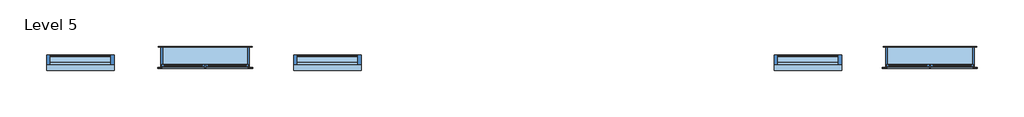
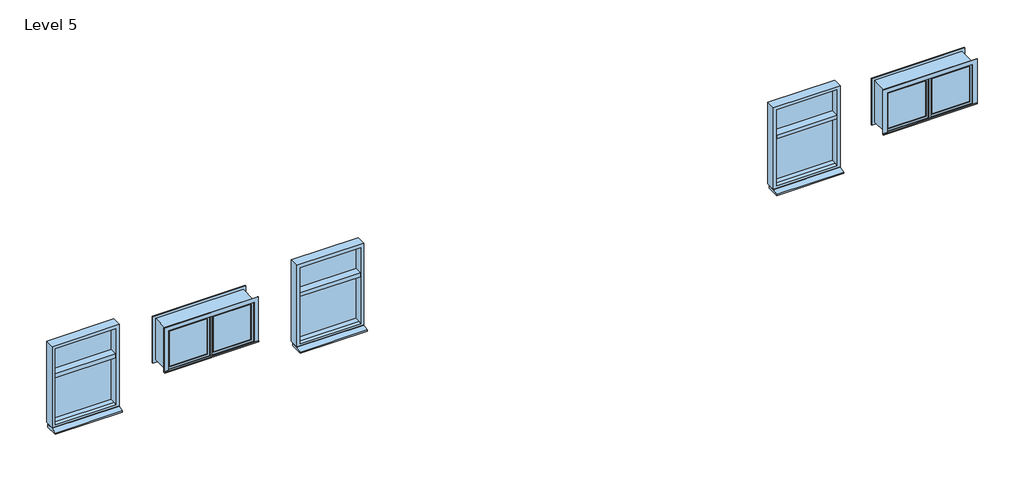
# One storey, part 1 of 3: 5 windows.
"""IFC4 building model written with IfcOpenShell, lengths in millimetres."""

import ifcopenshell
import ifcopenshell.guid

model = None  # the IFC model being written
_history = None  # IfcOwnerHistory: only IFC2X3 demands one
_inside = {}  # id of a spatial element -> (the spatial element, [elements in it])
_under = {}  # id of a project, library or spatial element -> (it, [spatial elements below it])
_declared = {}  # id of a project -> (the project, [libraries it declares])
_typed = {}  # id of a type object -> (the type object, [elements of that type])
_made_of = {}  # id of a material, layer set ... -> (it, [elements and type objects made of it])


def new_model(schema):
    """Start an empty IFC model of exactly this schema.

    Asked for "IFC4X3", IfcOpenShell would pick the latest addendum, in which some entities
    have other attributes; the version numbers below select the first issue.
    IFC2X3 requires an IfcOwnerHistory on every rooted entity: one is made here for all.
    """
    global model, _history
    if schema == "IFC4X3":
        model = ifcopenshell.file(schema_version=(4, 3, 0, 0))
    else:
        model = ifcopenshell.file(schema=schema)
    _inside.clear()
    _under.clear()
    _declared.clear()
    _typed.clear()
    _made_of.clear()
    _history = None
    if model.schema == "IFC2X3":
        org = make("IfcOrganization", Name="unknown")
        user = make(
            "IfcPersonAndOrganization",
            ThePerson=make("IfcPerson", FamilyName="unknown"),
            TheOrganization=org,
        )
        app = make(
            "IfcApplication",
            ApplicationDeveloper=org,
            Version="unknown",
            ApplicationFullName="unknown",
            ApplicationIdentifier="unknown",
        )
        _history = make(
            "IfcOwnerHistory",
            OwningUser=user,
            OwningApplication=app,
            ChangeAction="ADDED",
            CreationDate=0,
        )
    return model


def make(cls, **values):
    """One entity of the class cls with the attributes given. An attribute that is None is left unset."""
    return model.create_entity(
        cls, **{name: value for name, value in values.items() if value is not None}
    )


def rooted(cls, **values):
    """An entity with a GlobalId (a new one), such as an element, a storey or a relation."""
    return make(cls, GlobalId=ifcopenshell.guid.new(), OwnerHistory=_history, **values)


def si_unit(unit_type, name, prefix=None):
    """IfcSIUnit, for example si_unit("LENGTHUNIT", "METRE", prefix="MILLI")."""
    return make("IfcSIUnit", UnitType=unit_type, Prefix=prefix, Name=name)


def assignment(units):
    """IfcUnitAssignment: the units of a project."""
    return None if units is None else make("IfcUnitAssignment", Units=units)


def point(xyz):
    """IfcCartesianPoint."""
    return None if xyz is None else make("IfcCartesianPoint", Coordinates=xyz)


def direction(xyz):
    """IfcDirection."""
    return None if xyz is None else make("IfcDirection", DirectionRatios=xyz)


def frame(location, z_axis=None, x_axis=None):
    """IfcAxis2Placement3D, a coordinate frame: its origin and axes. An axis left out is left unset."""
    return make(
        "IfcAxis2Placement3D",
        Location=point(location),
        Axis=direction(z_axis),
        RefDirection=direction(x_axis),
    )


def origin():
    """The frame at (0, 0, 0) with its axes left unset."""
    return frame((0.0, 0.0, 0.0))


def place(relative_to, where):
    """IfcLocalPlacement: puts the frame where relative to a parent placement (None: the world)."""
    return make(
        "IfcLocalPlacement", PlacementRelTo=relative_to, RelativePlacement=where
    )


def context(
    kind, dimensions, precision=None, world=None, true_north=None, identifier=None
):
    """IfcGeometricRepresentationContext, for example the 3D "Model" context."""
    return make(
        "IfcGeometricRepresentationContext",
        ContextIdentifier=identifier,
        ContextType=kind,
        CoordinateSpaceDimension=dimensions,
        Precision=precision,
        WorldCoordinateSystem=world,
        TrueNorth=true_north,
    )


def project(units=None, contexts=None):
    """IfcProject with its units and contexts."""
    return rooted(
        "IfcProject",
        Name="project",
        RepresentationContexts=contexts,
        UnitsInContext=assignment(units),
    )


def spatial(cls, under=None, at=None, **own):
    """A site, building, storey or space (cls), placed at a placement, below another one or the project."""
    s = rooted(cls, ObjectPlacement=at, **own)
    if under is not None:
        _under.setdefault(under.id(), (under, []))[1].append(s)
    return s


def polyline(points):
    """IfcPolyline through the points."""
    return make("IfcPolyline", Points=[point(p) for p in points])


def outline(outer, holes=None, kind="AREA"):
    """IfcArbitraryClosedProfileDef: a profile drawn as a closed curve; with holes, ...WithVoids."""
    if holes is None:
        return make("IfcArbitraryClosedProfileDef", ProfileType=kind, OuterCurve=outer)
    return make(
        "IfcArbitraryProfileDefWithVoids",
        ProfileType=kind,
        OuterCurve=outer,
        InnerCurves=holes,
    )


def extrude(swept, where, along, depth):
    """IfcExtrudedAreaSolid: the profile swept, set in the frame where, extruded along a direction by depth."""
    return make(
        "IfcExtrudedAreaSolid",
        SweptArea=swept,
        Position=where,
        ExtrudedDirection=direction(along),
        Depth=depth,
    )


def faces_of(points, faces, orient=None, outer=None):
    """IfcFace entities. A face is a list of loops; a loop is a list of indices into points, from 0.

    orient and outer hold one flag for each loop. By default every Orientation is true, the
    first loop of a face is its IfcFaceOuterBound and the others are IfcFaceBound.
    """
    made = []
    for i, loops in enumerate(faces):
        bounds = []
        for j, loop in enumerate(loops):
            is_outer = j == 0 if outer is None else outer[i][j]
            bounds.append(
                make(
                    "IfcFaceOuterBound" if is_outer else "IfcFaceBound",
                    Bound=make("IfcPolyLoop", Polygon=[points[k] for k in loop]),
                    Orientation=True if orient is None else orient[i][j],
                )
            )
        made.append(make("IfcFace", Bounds=bounds))
    return made


def faceted_brep(points, faces, orient=None, outer=None, voids=None):
    """IfcFacetedBrep: a solid bounded by flat faces; with voids (closed shells), ...WithVoids."""
    shared = [point(p) for p in points]
    hull = make("IfcClosedShell", CfsFaces=faces_of(shared, faces, orient, outer))
    if voids is None:
        return make("IfcFacetedBrep", Outer=hull)
    return make(
        "IfcFacetedBrepWithVoids",
        Outer=hull,
        Voids=[
            make(cls, CfsFaces=faces_of(shared, fs, o, b)) for cls, fs, o, b in voids
        ],
    )


def shape(context_of_items, identifier, shape_type, items):
    """IfcShapeRepresentation: the items that make up one representation, for example the "Body"."""
    return make(
        "IfcShapeRepresentation",
        ContextOfItems=context_of_items,
        RepresentationIdentifier=identifier,
        RepresentationType=shape_type,
        Items=items,
    )


def source(mapping_origin, context_of_items, identifier, shape_type, items):
    """IfcRepresentationMap: a shape defined once, which mapped items show again and again."""
    return make(
        "IfcRepresentationMap",
        MappingOrigin=mapping_origin,
        MappedRepresentation=shape(context_of_items, identifier, shape_type, items),
    )


def transform(
    local_origin,
    x_axis=None,
    y_axis=None,
    z_axis=None,
    scale=None,
    scale2=None,
    scale3=None,
    uniform=True,
):
    """IfcCartesianTransformationOperator3D, or its non-uniform kind. x_axis, y_axis, z_axis: its Axis1, 2, 3."""
    if uniform:
        return make(
            "IfcCartesianTransformationOperator3D",
            Axis1=direction(x_axis),
            Axis2=direction(y_axis),
            LocalOrigin=point(local_origin),
            Scale=scale,
            Axis3=direction(z_axis),
        )
    return make(
        "IfcCartesianTransformationOperator3DnonUniform",
        Axis1=direction(x_axis),
        Axis2=direction(y_axis),
        LocalOrigin=point(local_origin),
        Scale=scale,
        Axis3=direction(z_axis),
        Scale2=scale2,
        Scale3=scale3,
    )


def mapped(mapping_source, mapping_target):
    """IfcMappedItem: shows the shape of a source again, moved by a transform."""
    return make(
        "IfcMappedItem", MappingSource=mapping_source, MappingTarget=mapping_target
    )


def made_of(thing, what):
    """Note that an element or type object is made of a material, layer set ...; save() writes the relation."""
    if what is not None:
        _made_of.setdefault(what.id(), (what, []))[1].append(thing)
    return thing


def element(
    cls,
    number,
    at=None,
    inside=None,
    cuts=None,
    type_object=None,
    material=None,
    context=None,
    identifier="Body",
    shape_type=None,
    held_by="IfcProductDefinitionShape",
    body=None,
    shapes=None,
    **own,
):
    """One element of the class cls, such as IfcWall. Its Tag is "e" and its number.

    at: its placement. inside: the storey or other place that contains it. cuts: it is an
    opening in that element (IfcRelVoidsElement). A single representation is given by context,
    identifier, shape_type and body (its items); several are given by shapes. held_by: the class
    of the entity that holds the representations. save() writes the other relations.
    """
    e = rooted(cls, Tag="e%d" % number, ObjectPlacement=at, **own)
    if body is not None:
        shapes = [shape(context, identifier, shape_type, body)]
    if shapes is not None:
        e.Representation = make(held_by, Representations=shapes)
    if inside is not None:
        _inside.setdefault(inside.id(), (inside, []))[1].append(e)
    if cuts is not None:
        rooted(
            "IfcRelVoidsElement", RelatingBuildingElement=cuts, RelatedOpeningElement=e
        )
    if type_object is not None:
        _typed.setdefault(type_object.id(), (type_object, []))[1].append(e)
    return made_of(e, material)


def aggregate(whole, parts):
    """IfcRelAggregates: a whole, such as a stair, and the parts it consists of."""
    return rooted("IfcRelAggregates", RelatingObject=whole, RelatedObjects=parts)


def save(model, path):
    """Write the relations noted so far, then the file.

    IfcRelAggregates (storeys below a building ...), IfcRelContainedInSpatialStructure (elements
    in a storey), IfcRelDefinesByType, IfcRelAssociatesMaterial and IfcRelDeclares: one each for
    every whole, place, type object, material and project.
    """
    for whole, parts in _under.values():
        aggregate(whole, parts)
    for where, things in _inside.values():
        rooted(
            "IfcRelContainedInSpatialStructure",
            RelatedElements=things,
            RelatingStructure=where,
        )
    for kind, things in _typed.values():
        rooted("IfcRelDefinesByType", RelatedObjects=things, RelatingType=kind)
    for what, things in _made_of.values():
        rooted("IfcRelAssociatesMaterial", RelatedObjects=things, RelatingMaterial=what)
    for by, libraries in _declared.values():
        rooted("IfcRelDeclares", RelatingContext=by, RelatedDefinitions=libraries)
    model.write(path)


def window_2be36a1f(model_context):
    return source(origin(), model_context, "Body", "SolidModel", [
        faceted_brep([(700.0, 149.5, 800.0), (700.0, -50.5, 800.0), (-700.0, -50.5, 800.0), (-700.0, 149.5, 800.0), (700.0, -50.5, 2600.0), (700.0, 149.5, 2600.0), (-700.0, -50.5, 2600.0), (630.0, -50.5, 2530.0), (630.0, -50.5, 870.0), (-630.0, -50.5, 870.0), (-630.0, -50.5, 2530.0), (-700.0, 149.5, 2600.0), (-630.0, 149.5, 2530.0), (-630.0, 149.5, 850.0), (630.0, 149.5, 850.0), (630.0, 149.5, 2530.0), (-630.0, 94.5, 870.0), (630.0, 94.5, 870.0)], [[[0, 1, 2, 3]], [[4, 1, 0, 5]], [[2, 1, 4, 6], [7, 8, 9, 10]], [[2, 6, 11, 3]], [[0, 3, 11, 5], [12, 13, 14, 15]], [[12, 10, 9, 16, 13]], [[14, 13, 16, 17]], [[7, 15, 14, 17, 8]], [[9, 8, 17, 16]], [[12, 15, 7, 10]], [[5, 11, 6, 4]]]),
        extrude(outline(polyline([(630.0, -15.0), (630.0, -25.0), (-630.0, -25.0), (-630.0, -15.0), (630.0, -15.0)])), frame((0.0, 0.0, 870.0), z_axis=(0.0, 0.0, 1.0), x_axis=(1.0, 0.0, 0.0)), (0.0, 0.0, 1.0), 1030.0),
        extrude(outline(polyline([(630.0, 149.5), (630.0, -50.5), (-630.0, -50.5), (-630.0, 149.5), (630.0, 149.5)])), frame((0.0, 0.0, 1890.0), z_axis=(0.0, 0.0, 1.0), x_axis=(1.0, 0.0, 0.0)), (0.0, 0.0, 1.0), 80.0),
        extrude(outline(polyline([(149.5, 790.0), (269.5, 760.0), (269.5, 730.0), (0.0, 730.0), (0.0, 790.0), (149.5, 790.0)])), frame((-700.0, 0.0, 0.0), z_axis=(1.0, 0.0, 0.0), x_axis=(0.0, 1.0, 0.0)), (0.0, 0.0, 1.0), 1400.0),
        extrude(outline(polyline([(630.0, -15.0), (630.0, -25.0), (-630.0, -25.0), (-630.0, -15.0), (630.0, -15.0)])), frame((0.0, 0.0, 1960.0), z_axis=(0.0, 0.0, 1.0), x_axis=(1.0, 0.0, 0.0)), (0.0, 0.0, 1.0), 575.0),
    ])


def window_a1d3f74f(model_context):
    return source(origin(), model_context, "Body", "SolidModel", [
        faceted_brep([(700.0, -149.5, 800.0), (-700.0, -149.5, 800.0), (-700.0, 50.5, 800.0), (700.0, 50.5, 800.0), (700.0, 50.5, 2600.0), (700.0, -149.5, 2600.0), (-700.0, 50.5, 2600.0), (630.0, 50.5, 2530.0), (-630.0, 50.5, 2530.0), (-630.0, 50.5, 870.0), (630.0, 50.5, 870.0), (-700.0, -149.5, 2600.0), (-630.0, -149.5, 2530.0), (630.0, -149.5, 2530.0), (630.0, -149.5, 850.0), (-630.0, -149.5, 850.0), (-630.0, -94.5, 870.0), (630.0, -94.5, 870.0)], [[[0, 1, 2, 3]], [[4, 5, 0, 3]], [[2, 6, 4, 3], [7, 8, 9, 10]], [[2, 1, 11, 6]], [[0, 5, 11, 1], [12, 13, 14, 15]], [[12, 15, 16, 9, 8]], [[14, 17, 16, 15]], [[7, 10, 17, 14, 13]], [[9, 16, 17, 10]], [[12, 8, 7, 13]], [[5, 4, 6, 11]]]),
        extrude(outline(polyline([(630.0, 15.0), (-630.0, 15.0), (-630.0, 25.0), (630.0, 25.0), (630.0, 15.0)])), frame((0.0, 0.0, 870.0), z_axis=(0.0, 0.0, 1.0), x_axis=(1.0, 0.0, 0.0)), (0.0, 0.0, 1.0), 1030.0),
        extrude(outline(polyline([(630.0, -149.5), (-630.0, -149.5), (-630.0, 50.5), (630.0, 50.5), (630.0, -149.5)])), frame((0.0, 0.0, 1890.0), z_axis=(0.0, 0.0, 1.0), x_axis=(1.0, 0.0, 0.0)), (0.0, 0.0, 1.0), 80.0),
        extrude(outline(polyline([(-149.5, 790.0), (0.0, 790.0), (0.0, 730.0), (-269.5, 730.0), (-269.5, 760.0), (-149.5, 790.0)])), frame((-700.0, 0.0, 0.0), z_axis=(1.0, 0.0, 0.0), x_axis=(0.0, 1.0, 0.0)), (0.0, 0.0, 1.0), 1400.0),
        extrude(outline(polyline([(630.0, 15.0), (-630.0, 15.0), (-630.0, 25.0), (630.0, 25.0), (630.0, 15.0)])), frame((0.0, 0.0, 1960.0), z_axis=(0.0, 0.0, 1.0), x_axis=(1.0, 0.0, 0.0)), (0.0, 0.0, 1.0), 575.0),
    ])


def m_casement_dbl_with_trim_1830_x_0915mm_99920121(model_context):
    return source(origin(), model_context, "Body", "SweptSolid", [
        extrude(outline(polyline([(63.5, 193.675), (851.5, 193.675), (851.5, 180.975), (63.5, 180.975), (63.5, 193.675)])), frame((0.0, 0.0, 1283.5), z_axis=(0.0, 0.0, 1.0), x_axis=(1.0, 0.0, 0.0)), (0.0, 0.0, 1.0), 788.0),
        extrude(outline(polyline([(2115.95, 19.05), (1239.05, 19.05), (1239.05, 895.95), (2115.95, 895.95), (2115.95, 19.05)]), holes=[polyline([(2071.5, 63.5), (2071.5, 851.5), (1283.5, 851.5), (1283.5, 63.5), (2071.5, 63.5)])]), frame((0.0, 165.1, 0.0), z_axis=(0.0, 1.0, 0.0), x_axis=(0.0, 0.0, 1.0)), (0.0, 0.0, 1.0), 44.45),
        extrude(outline(polyline([(-984.95, 254.25), (984.95, 254.25), (984.95, 228.55), (-984.95, 228.55), (-984.95, 254.25)])), frame((0.0, 0.0, 1220.0), z_axis=(0.0, 0.0, 1.0), x_axis=(1.0, 0.0, 0.0)), (0.0, 0.0, 1.0), 19.05),
        extrude(outline(polyline([(2115.95, -895.95), (2115.95, 895.95), (1239.05, 895.95), (1239.05, 984.95), (2204.95, 984.95), (2204.95, -984.95), (1239.05, -984.95), (1239.05, -895.95), (2115.95, -895.95)])), frame((0.0, 228.55, 0.0), z_axis=(0.0, 1.0, 0.0), x_axis=(0.0, 0.0, 1.0)), (0.0, 0.0, 1.0), 13.0),
        extrude(outline(polyline([(2192.25, 972.25), (2192.25, -972.25), (1162.75, -972.25), (1162.75, 972.25), (2192.25, 972.25)]), holes=[polyline([(2103.25, 883.25), (1251.75, 883.25), (1251.75, -883.25), (2103.25, -883.25), (2103.25, 883.25)])]), frame((0.0, -209.45, 0.0), z_axis=(0.0, 1.0, 0.0), x_axis=(0.0, 0.0, 1.0)), (0.0, 0.0, 1.0), 19.0),
        extrude(outline(polyline([(-63.5, 180.975), (-851.5, 180.975), (-851.5, 193.675), (-63.5, 193.675), (-63.5, 180.975)])), frame((0.0, 0.0, 1283.5), z_axis=(0.0, 0.0, 1.0), x_axis=(1.0, 0.0, 0.0)), (0.0, 0.0, 1.0), 788.0),
        extrude(outline(polyline([(2115.95, -895.95), (1239.05, -895.95), (1239.05, -19.05), (2115.95, -19.05), (2115.95, -895.95)]), holes=[polyline([(2071.5, -851.5), (2071.5, -63.5), (1283.5, -63.5), (1283.5, -851.5), (2071.5, -851.5)])]), frame((0.0, 165.1, 0.0), z_axis=(0.0, 1.0, 0.0), x_axis=(0.0, 0.0, 1.0)), (0.0, 0.0, 1.0), 44.45),
        extrude(outline(polyline([(2135.0, -915.0), (1220.0, -915.0), (1220.0, 915.0), (2135.0, 915.0), (2135.0, -915.0)]), holes=[polyline([(2103.25, -883.25), (2103.25, 883.25), (1251.75, 883.25), (1251.75, -883.25), (2103.25, -883.25)])]), frame((0.0, -190.45, 0.0), z_axis=(0.0, 1.0, 0.0), x_axis=(0.0, 0.0, 1.0)), (0.0, 0.0, 1.0), 355.55),
        extrude(outline(polyline([(2135.0, 915.0), (2135.0, -915.0), (1220.0, -915.0), (1220.0, 915.0), (2135.0, 915.0)]), holes=[polyline([(2115.95, 895.95), (1239.05, 895.95), (1239.05, -895.95), (2115.95, -895.95), (2115.95, 895.95)])]), frame((0.0, 165.1, 0.0), z_axis=(0.0, 1.0, 0.0), x_axis=(0.0, 0.0, 1.0)), (0.0, 0.0, 1.0), 63.45),
        extrude(outline(polyline([(19.05, 165.1), (-19.05, 165.1), (-19.05, 228.6), (19.05, 228.6), (19.05, 165.1)])), frame((0.0, 0.0, 1239.05), z_axis=(0.0, 0.0, 1.0), x_axis=(1.0, 0.0, 0.0)), (0.0, 0.0, 1.0), 876.9),
    ])


def m_casement_dbl_with_trim_1830_x_0915mm_7687e109(model_context):
    return source(origin(), model_context, "Body", "SweptSolid", [
        extrude(outline(polyline([(63.5, -193.675), (63.5, -180.975), (851.5, -180.975), (851.5, -193.675), (63.5, -193.675)])), frame((0.0, 0.0, 1283.5), z_axis=(0.0, 0.0, 1.0), x_axis=(1.0, 0.0, 0.0)), (0.0, 0.0, 1.0), 788.0),
        extrude(outline(polyline([(2115.95, 19.05), (1239.05, 19.05), (1239.05, 895.95), (2115.95, 895.95), (2115.95, 19.05)]), holes=[polyline([(2071.5, 63.5), (2071.5, 851.5), (1283.5, 851.5), (1283.5, 63.5), (2071.5, 63.5)])]), frame((0.0, -209.55, 0.0), z_axis=(0.0, 1.0, 0.0), x_axis=(0.0, 0.0, 1.0)), (0.0, 0.0, 1.0), 44.45),
        extrude(outline(polyline([(-984.95, -254.25), (-984.95, -228.55), (984.95, -228.55), (984.95, -254.25), (-984.95, -254.25)])), frame((0.0, 0.0, 1220.0), z_axis=(0.0, 0.0, 1.0), x_axis=(1.0, 0.0, 0.0)), (0.0, 0.0, 1.0), 19.05),
        extrude(outline(polyline([(2115.95, -895.95), (2115.95, 895.95), (1239.05, 895.95), (1239.05, 984.95), (2204.95, 984.95), (2204.95, -984.95), (1239.05, -984.95), (1239.05, -895.95), (2115.95, -895.95)])), frame((0.0, -241.55, 0.0), z_axis=(0.0, 1.0, 0.0), x_axis=(0.0, 0.0, 1.0)), (0.0, 0.0, 1.0), 13.0),
        extrude(outline(polyline([(2192.25, 972.25), (2192.25, -972.25), (1162.75, -972.25), (1162.75, 972.25), (2192.25, 972.25)]), holes=[polyline([(2103.25, 883.25), (1251.75, 883.25), (1251.75, -883.25), (2103.25, -883.25), (2103.25, 883.25)])]), frame((0.0, 190.45, 0.0), z_axis=(0.0, 1.0, 0.0), x_axis=(0.0, 0.0, 1.0)), (0.0, 0.0, 1.0), 19.0),
        extrude(outline(polyline([(-63.5, -180.975), (-63.5, -193.675), (-851.5, -193.675), (-851.5, -180.975), (-63.5, -180.975)])), frame((0.0, 0.0, 1283.5), z_axis=(0.0, 0.0, 1.0), x_axis=(1.0, 0.0, 0.0)), (0.0, 0.0, 1.0), 788.0),
        extrude(outline(polyline([(2115.95, -895.95), (1239.05, -895.95), (1239.05, -19.05), (2115.95, -19.05), (2115.95, -895.95)]), holes=[polyline([(2071.5, -851.5), (2071.5, -63.5), (1283.5, -63.5), (1283.5, -851.5), (2071.5, -851.5)])]), frame((0.0, -209.55, 0.0), z_axis=(0.0, 1.0, 0.0), x_axis=(0.0, 0.0, 1.0)), (0.0, 0.0, 1.0), 44.45),
        extrude(outline(polyline([(2135.0, -915.0), (1220.0, -915.0), (1220.0, 915.0), (2135.0, 915.0), (2135.0, -915.0)]), holes=[polyline([(2103.25, -883.25), (2103.25, 883.25), (1251.75, 883.25), (1251.75, -883.25), (2103.25, -883.25)])]), frame((0.0, -165.1, 0.0), z_axis=(0.0, 1.0, 0.0), x_axis=(0.0, 0.0, 1.0)), (0.0, 0.0, 1.0), 355.55),
        extrude(outline(polyline([(2135.0, 915.0), (2135.0, -915.0), (1220.0, -915.0), (1220.0, 915.0), (2135.0, 915.0)]), holes=[polyline([(2115.95, 895.95), (1239.05, 895.95), (1239.05, -895.95), (2115.95, -895.95), (2115.95, 895.95)])]), frame((0.0, -228.55, 0.0), z_axis=(0.0, 1.0, 0.0), x_axis=(0.0, 0.0, 1.0)), (0.0, 0.0, 1.0), 63.45),
        extrude(outline(polyline([(19.05, -165.1), (19.05, -228.6), (-19.05, -228.6), (-19.05, -165.1), (19.05, -165.1)])), frame((0.0, 0.0, 1239.05), z_axis=(0.0, 0.0, 1.0), x_axis=(1.0, 0.0, 0.0)), (0.0, 0.0, 1.0), 876.9),
    ])


model = new_model("IFC4")

# Units and contexts
model_context = context("Model", 3, world=origin())
ifc_project = project(units=[si_unit("LENGTHUNIT", "METRE", prefix="MILLI")], contexts=[model_context])

# Site, building, storey
site = spatial("IfcSite", under=ifc_project)
building = spatial("IfcBuilding", under=site)
storey = spatial("IfcBuildingStorey", under=building, Name="Level 5", Elevation=11000.0)

# Windows
placement = place(None, origin())
window_shape = window_2be36a1f(model_context)
element("IfcWindow", 1, at=placement, inside=storey, context=model_context, shape_type="MappedRepresentation", body=[
    mapped(window_shape, transform((-104049.8867011, -100130.8209837, 10787.2114444), x_axis=(-1.0, 0.0, 0.0), y_axis=(0.0, -1.0, 0.0), z_axis=(0.0, 0.0, 1.0))),
])
window_2_shape = window_a1d3f74f(model_context)
element("IfcWindow", 2, at=placement, inside=storey, context=model_context, shape_type="MappedRepresentation", body=[
    mapped(window_2_shape, transform((-109169.4690458, -100130.8209837, 10788.5), x_axis=(1.0, 0.0, 0.0), y_axis=(0.0, 1.0, 0.0), z_axis=(0.0, 0.0, 1.0))),
])
element("IfcWindow", 3, at=placement, inside=storey, context=model_context, shape_type="MappedRepresentation", body=[
    mapped(window_2_shape, transform((-94088.8867011, -100130.8209837, 10787.2114444), x_axis=(1.0, 0.0, 0.0), y_axis=(0.0, 1.0, 0.0), z_axis=(0.0, 0.0, 1.0))),
])
m_casement_dbl_with_trim_1830_x_0915mm_shape = m_casement_dbl_with_trim_1830_x_0915mm_99920121(model_context)
element("IfcWindow", 4, ObjectType="M_Casement Dbl with Trim : 1830 x 0915mm", at=placement, inside=storey, context=model_context, shape_type="MappedRepresentation", body=[
    mapped(m_casement_dbl_with_trim_1830_x_0915mm_shape, transform((-106581.9690458, -100111.7709837, 10828.5), x_axis=(-1.0, 0.0, 0.0), y_axis=(0.0, -1.0, 0.0), z_axis=(0.0, 0.0, 1.0))),
])
m_casement_dbl_with_trim_1830_x_0915mm_2_shape = m_casement_dbl_with_trim_1830_x_0915mm_7687e109(model_context)
element("IfcWindow", 5, ObjectType="M_Casement Dbl with Trim : 1830 x 0915mm", at=placement, inside=storey, context=model_context, shape_type="MappedRepresentation", body=[
    mapped(m_casement_dbl_with_trim_1830_x_0915mm_2_shape, transform((-91556.8043563, -100111.7709837, 10828.5), x_axis=(1.0, 0.0, 0.0), y_axis=(0.0, 1.0, 0.0), z_axis=(0.0, 0.0, 1.0))),
])

save(model, "model.ifc")
